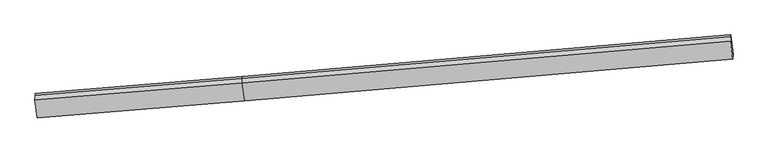
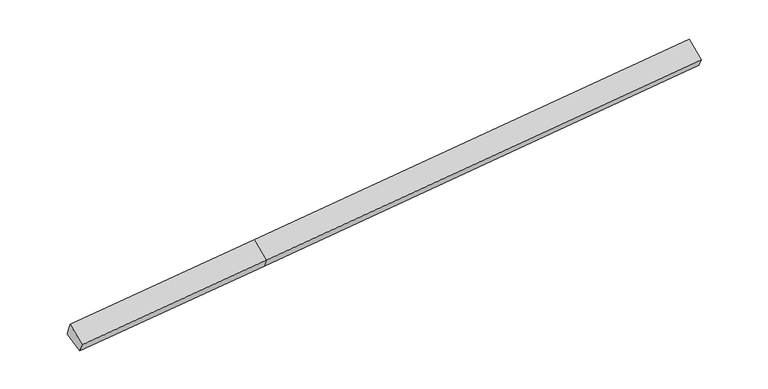
"""IFC4 building model written with IfcOpenShell, lengths in millimetres: proxy geometry."""

from ifc_helpers import new_model, si_unit, origin, place, context, project, spatial, faceted_brep, source, transform, mapped, element, save


def generic_models_0bd3cbe5(model_context):
    return source(origin(), model_context, "Body", "Brep", [
        faceted_brep([(-9780.0541601, -2188.7484895, 1277.5213853), (-9785.8151866, -2254.2029679, 1461.3485637), (-3081.4251237, -1701.8974812, 1878.7363133), (-3075.6640972, -1636.4430029, 1694.909135), (-9710.1152639, -2831.8666462, 1037.8746507), (-3005.725201, -2279.5611596, 1455.2624004), (-9716.4237273, -2976.4942962, 1340.2484963), (-3012.0336644, -2424.1888096, 1757.6362459), (-9792.5937523, -2393.7498153, 1764.2829807), (-3088.2036894, -1841.4443287, 2181.6707303), (12839.6758079, -1065.6859211, 2738.1344392), (12845.9842713, -921.0582711, 2435.7605937), (12776.0453751, -277.9401144, 2675.4073283), (12770.2843486, -343.3945927, 2859.2345066), (12763.505783, -482.9414402, 3162.1689236)], [[[0, 1, 2, 3]], [[4, 0, 5]], [[6, 4, 5, 7]], [[8, 6, 7, 9]], [[1, 8, 9, 2]], [[10, 11, 12, 13, 14]], [[1, 0, 4, 6, 8]], [[3, 5, 0]], [[7, 5, 11, 10]], [[5, 3, 12, 11]], [[3, 2, 13, 12]], [[2, 9, 14, 13]], [[9, 7, 10, 14]]]),
    ])


if __name__ == "__main__":
    model = new_model("IFC4")
    model_context = context("Model", 3, world=origin())
    ifc_project = project(units=[si_unit("LENGTHUNIT", "METRE", prefix="MILLI")], contexts=[model_context])
    site = spatial("IfcSite", under=ifc_project)
    building = spatial("IfcBuilding", under=site)
    placement = place(None, origin())
    generic_models_shape = generic_models_0bd3cbe5(model_context)
    element("IfcBuildingElementProxy", 1, Name="Generic Models", at=placement, inside=building, context=model_context, shape_type="MappedRepresentation", body=[
        mapped(generic_models_shape, transform((0.0, 0.0, 0.0), x_axis=(1.0, 0.0, 0.0), y_axis=(0.0, 1.0, 0.0), z_axis=(0.0, 0.0, 1.0))),
    ])
    save(model, "model.ifc")
